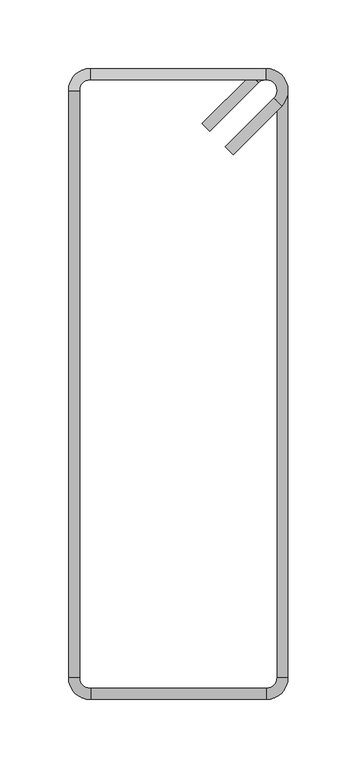
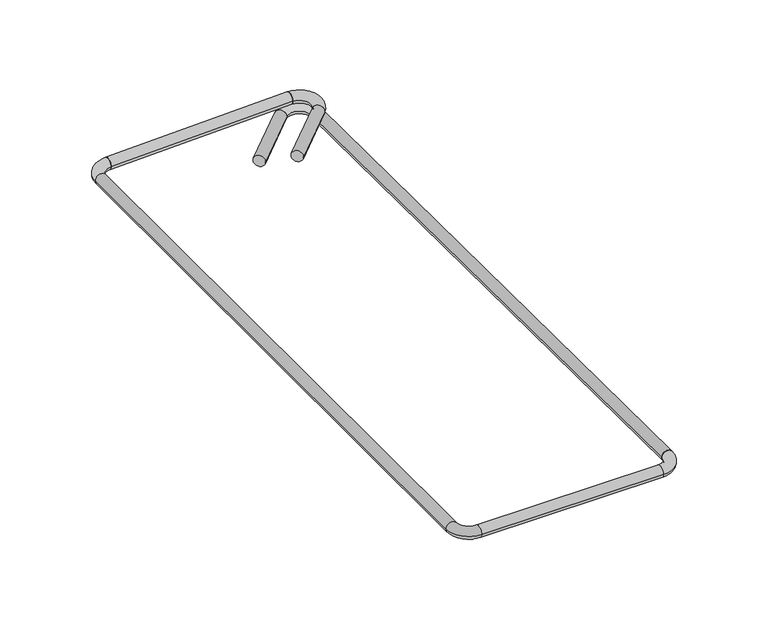
"""IFC4 building model written with IfcOpenShell, lengths in millimetres: proxy geometry."""

import ifcopenshell
import ifcopenshell.guid

model = None  # the IFC model being written
_history = None  # IfcOwnerHistory: only IFC2X3 demands one
_inside = {}  # id of a spatial element -> (the spatial element, [elements in it])
_under = {}  # id of a project, library or spatial element -> (it, [spatial elements below it])
_declared = {}  # id of a project -> (the project, [libraries it declares])
_typed = {}  # id of a type object -> (the type object, [elements of that type])
_made_of = {}  # id of a material, layer set ... -> (it, [elements and type objects made of it])


def new_model(schema):
    """Start an empty IFC model of exactly this schema.

    Asked for "IFC4X3", IfcOpenShell would pick the latest addendum, in which some entities
    have other attributes; the version numbers below select the first issue.
    IFC2X3 requires an IfcOwnerHistory on every rooted entity: one is made here for all.
    """
    global model, _history
    if schema == "IFC4X3":
        model = ifcopenshell.file(schema_version=(4, 3, 0, 0))
    else:
        model = ifcopenshell.file(schema=schema)
    _inside.clear()
    _under.clear()
    _declared.clear()
    _typed.clear()
    _made_of.clear()
    _history = None
    if model.schema == "IFC2X3":
        org = make("IfcOrganization", Name="unknown")
        user = make(
            "IfcPersonAndOrganization",
            ThePerson=make("IfcPerson", FamilyName="unknown"),
            TheOrganization=org,
        )
        app = make(
            "IfcApplication",
            ApplicationDeveloper=org,
            Version="unknown",
            ApplicationFullName="unknown",
            ApplicationIdentifier="unknown",
        )
        _history = make(
            "IfcOwnerHistory",
            OwningUser=user,
            OwningApplication=app,
            ChangeAction="ADDED",
            CreationDate=0,
        )
    return model


def make(cls, **values):
    """One entity of the class cls with the attributes given. An attribute that is None is left unset."""
    return model.create_entity(
        cls, **{name: value for name, value in values.items() if value is not None}
    )


def rooted(cls, **values):
    """An entity with a GlobalId (a new one), such as an element, a storey or a relation."""
    return make(cls, GlobalId=ifcopenshell.guid.new(), OwnerHistory=_history, **values)


def si_unit(unit_type, name, prefix=None):
    """IfcSIUnit, for example si_unit("LENGTHUNIT", "METRE", prefix="MILLI")."""
    return make("IfcSIUnit", UnitType=unit_type, Prefix=prefix, Name=name)


def assignment(units):
    """IfcUnitAssignment: the units of a project."""
    return None if units is None else make("IfcUnitAssignment", Units=units)


def point(xyz):
    """IfcCartesianPoint."""
    return None if xyz is None else make("IfcCartesianPoint", Coordinates=xyz)


def direction(xyz):
    """IfcDirection."""
    return None if xyz is None else make("IfcDirection", DirectionRatios=xyz)


def frame(location, z_axis=None, x_axis=None):
    """IfcAxis2Placement3D, a coordinate frame: its origin and axes. An axis left out is left unset."""
    return make(
        "IfcAxis2Placement3D",
        Location=point(location),
        Axis=direction(z_axis),
        RefDirection=direction(x_axis),
    )


def frame_2d(location, x_axis=None):
    """IfcAxis2Placement2D, a coordinate frame in the plane: its origin and x axis."""
    return make(
        "IfcAxis2Placement2D", Location=point(location), RefDirection=direction(x_axis)
    )


def origin():
    """The frame at (0, 0, 0) with its axes left unset."""
    return frame((0.0, 0.0, 0.0))


def origin_2d():
    """The frame at (0, 0) in the plane with its x axis left unset."""
    return frame_2d((0.0, 0.0))


def place(relative_to, where):
    """IfcLocalPlacement: puts the frame where relative to a parent placement (None: the world)."""
    return make(
        "IfcLocalPlacement", PlacementRelTo=relative_to, RelativePlacement=where
    )


def context(
    kind, dimensions, precision=None, world=None, true_north=None, identifier=None
):
    """IfcGeometricRepresentationContext, for example the 3D "Model" context."""
    return make(
        "IfcGeometricRepresentationContext",
        ContextIdentifier=identifier,
        ContextType=kind,
        CoordinateSpaceDimension=dimensions,
        Precision=precision,
        WorldCoordinateSystem=world,
        TrueNorth=true_north,
    )


def project(units=None, contexts=None):
    """IfcProject with its units and contexts."""
    return rooted(
        "IfcProject",
        Name="project",
        RepresentationContexts=contexts,
        UnitsInContext=assignment(units),
    )


def spatial(cls, under=None, at=None, **own):
    """A site, building, storey or space (cls), placed at a placement, below another one or the project."""
    s = rooted(cls, ObjectPlacement=at, **own)
    if under is not None:
        _under.setdefault(under.id(), (under, []))[1].append(s)
    return s


def circle_curve(where, radius):
    """IfcCircle in the frame where."""
    return make("IfcCircle", Position=where, Radius=radius)


def ellipse_curve(where, semi_axis1, semi_axis2):
    """IfcEllipse in the frame where."""
    return make(
        "IfcEllipse", Position=where, SemiAxis1=semi_axis1, SemiAxis2=semi_axis2
    )


def trimmed(basis, trim1, trim2, sense, master):
    """IfcTrimmedCurve: the piece of a basis curve between two trims."""
    return make(
        "IfcTrimmedCurve",
        BasisCurve=basis,
        Trim1=trim1,
        Trim2=trim2,
        SenseAgreement=sense,
        MasterRepresentation=master,
    )


def segment(curve, same_sense, transition):
    """IfcCompositeCurveSegment."""
    return make(
        "IfcCompositeCurveSegment",
        Transition=transition,
        SameSense=same_sense,
        ParentCurve=curve,
    )


def composite_curve(segments, self_intersect=None):
    """IfcCompositeCurve: segments joined end to end."""
    return make("IfcCompositeCurve", Segments=segments, SelfIntersect=self_intersect)


def outline(outer, holes=None, kind="AREA"):
    """IfcArbitraryClosedProfileDef: a profile drawn as a closed curve; with holes, ...WithVoids."""
    if holes is None:
        return make("IfcArbitraryClosedProfileDef", ProfileType=kind, OuterCurve=outer)
    return make(
        "IfcArbitraryProfileDefWithVoids",
        ProfileType=kind,
        OuterCurve=outer,
        InnerCurves=holes,
    )


def extrude(swept, where, along, depth):
    """IfcExtrudedAreaSolid: the profile swept, set in the frame where, extruded along a direction by depth."""
    return make(
        "IfcExtrudedAreaSolid",
        SweptArea=swept,
        Position=where,
        ExtrudedDirection=direction(along),
        Depth=depth,
    )


def shape(context_of_items, identifier, shape_type, items):
    """IfcShapeRepresentation: the items that make up one representation, for example the "Body"."""
    return make(
        "IfcShapeRepresentation",
        ContextOfItems=context_of_items,
        RepresentationIdentifier=identifier,
        RepresentationType=shape_type,
        Items=items,
    )


def source(mapping_origin, context_of_items, identifier, shape_type, items):
    """IfcRepresentationMap: a shape defined once, which mapped items show again and again."""
    return make(
        "IfcRepresentationMap",
        MappingOrigin=mapping_origin,
        MappedRepresentation=shape(context_of_items, identifier, shape_type, items),
    )


def transform(
    local_origin,
    x_axis=None,
    y_axis=None,
    z_axis=None,
    scale=None,
    scale2=None,
    scale3=None,
    uniform=True,
):
    """IfcCartesianTransformationOperator3D, or its non-uniform kind. x_axis, y_axis, z_axis: its Axis1, 2, 3."""
    if uniform:
        return make(
            "IfcCartesianTransformationOperator3D",
            Axis1=direction(x_axis),
            Axis2=direction(y_axis),
            LocalOrigin=point(local_origin),
            Scale=scale,
            Axis3=direction(z_axis),
        )
    return make(
        "IfcCartesianTransformationOperator3DnonUniform",
        Axis1=direction(x_axis),
        Axis2=direction(y_axis),
        LocalOrigin=point(local_origin),
        Scale=scale,
        Axis3=direction(z_axis),
        Scale2=scale2,
        Scale3=scale3,
    )


def mapped(mapping_source, mapping_target):
    """IfcMappedItem: shows the shape of a source again, moved by a transform."""
    return make(
        "IfcMappedItem", MappingSource=mapping_source, MappingTarget=mapping_target
    )


def made_of(thing, what):
    """Note that an element or type object is made of a material, layer set ...; save() writes the relation."""
    if what is not None:
        _made_of.setdefault(what.id(), (what, []))[1].append(thing)
    return thing


def element(
    cls,
    number,
    at=None,
    inside=None,
    cuts=None,
    type_object=None,
    material=None,
    context=None,
    identifier="Body",
    shape_type=None,
    held_by="IfcProductDefinitionShape",
    body=None,
    shapes=None,
    **own,
):
    """One element of the class cls, such as IfcWall. Its Tag is "e" and its number.

    at: its placement. inside: the storey or other place that contains it. cuts: it is an
    opening in that element (IfcRelVoidsElement). A single representation is given by context,
    identifier, shape_type and body (its items); several are given by shapes. held_by: the class
    of the entity that holds the representations. save() writes the other relations.
    """
    e = rooted(cls, Tag="e%d" % number, ObjectPlacement=at, **own)
    if body is not None:
        shapes = [shape(context, identifier, shape_type, body)]
    if shapes is not None:
        e.Representation = make(held_by, Representations=shapes)
    if inside is not None:
        _inside.setdefault(inside.id(), (inside, []))[1].append(e)
    if cuts is not None:
        rooted(
            "IfcRelVoidsElement", RelatingBuildingElement=cuts, RelatedOpeningElement=e
        )
    if type_object is not None:
        _typed.setdefault(type_object.id(), (type_object, []))[1].append(e)
    return made_of(e, material)


def aggregate(whole, parts):
    """IfcRelAggregates: a whole, such as a stair, and the parts it consists of."""
    return rooted("IfcRelAggregates", RelatingObject=whole, RelatedObjects=parts)


def save(model, path):
    """Write the relations noted so far, then the file.

    IfcRelAggregates (storeys below a building ...), IfcRelContainedInSpatialStructure (elements
    in a storey), IfcRelDefinesByType, IfcRelAssociatesMaterial and IfcRelDeclares: one each for
    every whole, place, type object, material and project.
    """
    for whole, parts in _under.values():
        aggregate(whole, parts)
    for where, things in _inside.values():
        rooted(
            "IfcRelContainedInSpatialStructure",
            RelatedElements=things,
            RelatingStructure=where,
        )
    for kind, things in _typed.values():
        rooted("IfcRelDefinesByType", RelatedObjects=things, RelatingType=kind)
    for what, things in _made_of.values():
        rooted("IfcRelAssociatesMaterial", RelatedObjects=things, RelatingMaterial=what)
    for by, libraries in _declared.values():
        rooted("IfcRelDeclares", RelatingContext=by, RelatedDefinitions=libraries)
    model.write(path)


def plane_surface(at):
    """IfcPlane: the flat surface through the origin of the frame at, square to its z axis."""
    return make("IfcPlane", Position=at)


def cylinder_surface(at, radius):
    """IfcCylindricalSurface: all points at the distance radius from the z axis of the frame at."""
    return make("IfcCylindricalSurface", Position=at, Radius=radius)


def revolved_surface(curve, axis_point, axis_direction):
    """IfcSurfaceOfRevolution: the curve turned about the line through axis_point along axis_direction."""
    return make(
        "IfcSurfaceOfRevolution",
        SweptCurve=make("IfcArbitraryOpenProfileDef", ProfileType="CURVE", Curve=curve),
        AxisPosition=make("IfcAxis1Placement", Location=point(axis_point), Axis=direction(axis_direction)),
    )


def extruded_surface(curve, direction_of_extrusion, depth):
    """IfcSurfaceOfLinearExtrusion: the curve pushed along a direction by depth."""
    return make(
        "IfcSurfaceOfLinearExtrusion",
        SweptCurve=make("IfcArbitraryOpenProfileDef", ProfileType="CURVE", Curve=curve),
        ExtrudedDirection=direction(direction_of_extrusion),
        Depth=depth,
    )


def advanced_brep(points, edges, surfaces, faces):
    """IfcAdvancedBrep: a solid bounded by faces that lie on surfaces and meet in shared edges.

    An edge is (start, end): straight between two places in points (the first is 0);
    or (start, end, curve); or (start, end, curve, False) where it runs against its curve.
    A face is (place in surfaces, loops), or (place, loops, False) where it looks against
    its surface's normal. A loop lists edges by number (the first is 1), with a minus sign
    where the edge is run from its end to its start. The first loop is the outer one.
    """
    corners = [point(p) for p in points]
    vertices = [make("IfcVertexPoint", VertexGeometry=c) for c in corners]
    made = []
    for start, end, *more in edges:
        made.append(
            make(
                "IfcEdgeCurve",
                EdgeStart=vertices[start],
                EdgeEnd=vertices[end],
                EdgeGeometry=more[0] if more else make("IfcPolyline", Points=[corners[start], corners[end]]),
                SameSense=more[1] if len(more) > 1 else True,
            )
        )
    hull = []
    for where, loops, *sense in faces:
        bounds = []
        for j, loop in enumerate(loops):
            ring = [make("IfcOrientedEdge", EdgeElement=made[abs(k) - 1], Orientation=k > 0) for k in loop]
            bounds.append(
                make(
                    "IfcFaceOuterBound" if j == 0 else "IfcFaceBound",
                    Bound=make("IfcEdgeLoop", EdgeList=ring),
                    Orientation=True,
                )
            )
        hull.append(make("IfcAdvancedFace", Bounds=bounds, FaceSurface=surfaces[where], SameSense=sense[0] if sense else True))
    return make("IfcAdvancedBrep", Outer=make("IfcClosedShell", CfsFaces=hull))


def generic_models_b4dfb5fa(model_context):
    return source(origin(), model_context, "Body", "SolidModel", [
        extrude(outline(composite_curve([segment(trimmed(circle_curve(origin_2d(), 4.0), [point((0.0, -4.0))], [point((0.0, 4.0))], False, "CARTESIAN"), True, "CONTINUOUS"), segment(trimmed(circle_curve(origin_2d(), 4.0), [point((0.0, 4.0))], [point((0.0, -4.0))], False, "CARTESIAN"), True, "CONTINUOUS")], self_intersect=False)), frame((37.1299423, 170.1593796, 4.0), z_axis=(0.7071067811865563, 0.7071067811865388, 0.0), x_axis=(0.0, 0.0, 1.0)), (0.0, 0.0, 1.0), 50.0),
        advanced_brep(
        [(64.0, 222.0, 4.0), (64.0, 230.0, 4.0), (69.6568542, 208.3431458, 4.0), (75.3137085, 202.6862915, 4.0)],
        [
            (0, 1, circle_curve(frame((64.0, 226.0, 4.0), z_axis=(-1.0, 0.0, 0.0), x_axis=(0.0, 1.0, 0.0)), 4.0)),
            (1, 0, circle_curve(frame((64.0, 226.0, 4.0), z_axis=(-1.0, 0.0, 0.0), x_axis=(0.0, 1.0, 0.0)), 4.0)),
            (2, 3, circle_curve(frame((72.4852814, 205.5147186, 4.0), z_axis=(-0.7071067811865459, -0.7071067811865491, 0.0), x_axis=(0.7071067811865491, -0.7071067811865459, 0.0)), 4.0)),
            (3, 2, circle_curve(frame((72.4852814, 205.5147186, 4.0), z_axis=(-0.7071067811865459, -0.7071067811865491, 0.0), x_axis=(0.7071067811865491, -0.7071067811865459, 0.0)), 4.0)),
            (3, 1, circle_curve(frame((64.0, 214.0, 4.0), z_axis=(0.0, 0.0, 1.0), x_axis=(0.0, 1.0, 0.0)), 16.0)),
            (0, 2, circle_curve(frame((64.0, 214.0, 4.0), z_axis=(0.0, 0.0, -1.0), x_axis=(0.0, 1.0, 0.0)), 8.0)),
        ],
        [
            plane_surface(frame((64.0, 226.0, 4.0), z_axis=(-1.0, 0.0, 0.0), x_axis=(0.0, 0.0, 1.0))),
            plane_surface(frame((72.4852814, 205.5147186, 4.0), z_axis=(-0.7071067811865459, -0.7071067811865491, 0.0), x_axis=(0.0, 0.0, 1.0))),
            revolved_surface(trimmed(ellipse_curve(frame((64.0, 226.0, 4.0), z_axis=(-1.0, 0.0, 0.0), x_axis=(0.0, 1.0, 0.0)), 4.0, 4.0), [point((64.0, 222.0, 4.0))], [point((64.0, 230.0, 4.0))], True, "CARTESIAN"), (64.0, 214.0, 4.0), (0.0, 0.0, -1.0)),
            revolved_surface(trimmed(ellipse_curve(frame((64.0, 226.0, 4.0), z_axis=(-1.0, 0.0, 0.0), x_axis=(0.0, 1.0, 0.0)), 4.0, 4.0), [point((64.0, 230.0, 4.0))], [point((64.0, 222.0, 4.0))], True, "CARTESIAN"), (64.0, 214.0, 4.0), (0.0, 0.0, -1.0)),
        ],
        [
            (0, [[1, 2]]),
            (1, [[3, 4]]),
            (2, [[5, -1, 6, -4]]),
            (3, [[-6, -2, -5, -3]]),
        ],
    ),
        extrude(outline(composite_curve([segment(trimmed(circle_curve(origin_2d(), 4.0), [point((0.0, -4.0))], [point((0.0, 4.0))], False, "CARTESIAN"), True, "CONTINUOUS"), segment(trimmed(circle_curve(origin_2d(), 4.0), [point((0.0, 4.0))], [point((0.0, -4.0))], False, "CARTESIAN"), True, "CONTINUOUS")], self_intersect=False)), frame((20.1593796, 187.1299423, -4.0), z_axis=(0.7071067811866664, 0.7071067811864288, 0.0), x_axis=(0.0, 0.0, 1.0)), (0.0, 0.0, 1.0), 50.0),
        advanced_brep(
        [(80.0, 214.0, -4.0), (72.0, 214.0, -4.0), (52.6862915, 225.3137085, -4.0), (58.3431458, 219.6568542, -4.0)],
        [
            (0, 1, circle_curve(frame((76.0, 214.0, -4.0), z_axis=(0.0, -1.0, 0.0), x_axis=(-1.0, 0.0, 0.0)), 4.0)),
            (1, 0, circle_curve(frame((76.0, 214.0, -4.0), z_axis=(0.0, -1.0, 0.0), x_axis=(-1.0, 0.0, 0.0)), 4.0)),
            (2, 3, circle_curve(frame((55.5147186, 222.4852814, -4.0), z_axis=(-0.7071067811865468, -0.7071067811865482, 0.0), x_axis=(0.7071067811865482, -0.7071067811865468, 0.0)), 4.0)),
            (3, 2, circle_curve(frame((55.5147186, 222.4852814, -4.0), z_axis=(-0.7071067811865468, -0.7071067811865482, 0.0), x_axis=(0.7071067811865482, -0.7071067811865468, 0.0)), 4.0)),
            (3, 1, circle_curve(frame((64.0, 214.0, -4.0), z_axis=(0.0, 0.0, -1.0), x_axis=(1.0, 0.0, 0.0)), 8.0)),
            (0, 2, circle_curve(frame((64.0, 214.0, -4.0), z_axis=(0.0, 0.0, 1.0), x_axis=(1.0, 0.0, 0.0)), 16.0)),
        ],
        [
            plane_surface(frame((76.0, 214.0, -4.0), z_axis=(0.0, -1.0, 0.0), x_axis=(0.0, 0.0, 1.0))),
            plane_surface(frame((55.5147186, 222.4852814, -4.0), z_axis=(-0.7071067811865468, -0.7071067811865483, 0.0), x_axis=(0.0, 0.0, 1.0))),
            revolved_surface(trimmed(ellipse_curve(frame((76.0, 214.0, -4.0), z_axis=(0.0, -1.0, 0.0), x_axis=(-1.0, 0.0, 0.0)), 4.0, 4.0), [point((80.0, 214.0, -4.0))], [point((72.0, 214.0, -4.0))], True, "CARTESIAN"), (64.0, 214.0, -4.0), (0.0, 0.0, 1.0)),
            revolved_surface(trimmed(ellipse_curve(frame((76.0, 214.0, -4.0), z_axis=(0.0, -1.0, 0.0), x_axis=(-1.0, 0.0, 0.0)), 4.0, 4.0), [point((72.0, 214.0, -4.0))], [point((80.0, 214.0, -4.0))], True, "CARTESIAN"), (64.0, 214.0, -4.0), (0.0, 0.0, 1.0)),
        ],
        [
            (0, [[1, 2]]),
            (1, [[3, 4]]),
            (2, [[5, -1, 6, -4]]),
            (3, [[-6, -2, -5, -3]]),
        ],
    ),
        advanced_brep(
        [(80.0, 214.0, -4.0), (72.0, 214.0, -4.0), (80.0, -214.0, 0.0), (72.0, -214.0, 0.0)],
        [
            (0, 1, circle_curve(frame((76.0, 214.0, -4.0), z_axis=(0.0, 1.0, 0.0), x_axis=(-1.0, 0.0, 0.0)), 4.0)),
            (1, 0, circle_curve(frame((76.0, 214.0, -4.0), z_axis=(0.0, 1.0, 0.0), x_axis=(-1.0, 0.0, 0.0)), 4.0)),
            (2, 3, circle_curve(frame((76.0, -214.0, 0.0), z_axis=(0.0, -1.0, 0.0), x_axis=(-1.0, 0.0, 0.0)), 4.0)),
            (3, 2, circle_curve(frame((76.0, -214.0, 0.0), z_axis=(0.0, -1.0, 0.0), x_axis=(-1.0, 0.0, 0.0)), 4.0)),
            (3, 1),
            (0, 2),
        ],
        [
            plane_surface(frame((76.0, 214.0, -4.0), z_axis=(0.0, 1.0, 0.0), x_axis=(0.0, 0.0, -1.0))),
            plane_surface(frame((76.0, -214.0, 0.0), z_axis=(0.0, -1.0, 0.0), x_axis=(0.0, 0.0, -1.0))),
            extruded_surface(trimmed(circle_curve(frame((76.0, -214.0, 0.0), z_axis=(0.0, 1.0, 0.0), x_axis=(-1.0, 0.0, 0.0)), 4.0), [point((80.0, -214.0, 0.0))], [point((72.0, -214.0, 0.0))], True, "CARTESIAN"), (0.0, 428.0, -4.0), 428.01869118065395),
            extruded_surface(trimmed(circle_curve(frame((76.0, -214.0, 0.0), z_axis=(0.0, 1.0, 0.0), x_axis=(-1.0, 0.0, 0.0)), 4.0), [point((72.0, -214.0, 0.0))], [point((80.0, -214.0, 0.0))], True, "CARTESIAN"), (0.0, 428.0, -4.0), 428.01869118065395),
        ],
        [
            (0, [[1, 2]]),
            (1, [[3, 4]]),
            (2, [[-4, 5, -1, 6]]),
            (3, [[-3, -6, -2, -5]]),
        ],
    ),
        advanced_brep(
        [(64.0, 222.0, 4.0), (64.0, 230.0, 4.0), (-64.0, 222.0, 0.0), (-64.0, 230.0, 0.0)],
        [
            (0, 1, circle_curve(frame((64.0, 226.0, 4.0), z_axis=(1.0, 0.0, 0.0), x_axis=(0.0, 1.0, 0.0)), 4.0)),
            (1, 0, circle_curve(frame((64.0, 226.0, 4.0), z_axis=(1.0, 0.0, 0.0), x_axis=(0.0, 1.0, 0.0)), 4.0)),
            (2, 3, circle_curve(frame((-64.0, 226.0, 0.0), z_axis=(-1.0, 0.0, 0.0), x_axis=(0.0, 1.0, 0.0)), 4.0)),
            (3, 2, circle_curve(frame((-64.0, 226.0, 0.0), z_axis=(-1.0, 0.0, 0.0), x_axis=(0.0, 1.0, 0.0)), 4.0)),
            (3, 1),
            (0, 2),
        ],
        [
            plane_surface(frame((64.0, 226.0, 4.0), z_axis=(1.0, 0.0, 0.0), x_axis=(0.0, 0.0, -1.0))),
            plane_surface(frame((-64.0, 226.0, 0.0), z_axis=(-1.0, 0.0, 0.0), x_axis=(0.0, 0.0, -1.0))),
            extruded_surface(trimmed(circle_curve(frame((-64.0, 226.0, 0.0), z_axis=(1.0, 0.0, 0.0), x_axis=(0.0, 1.0, 0.0)), 4.0), [point((-64.0, 222.0, 0.0))], [point((-64.0, 230.0, 0.0))], True, "CARTESIAN"), (128.0, 0.0, 4.0), 128.06248474865697),
            extruded_surface(trimmed(circle_curve(frame((-64.0, 226.0, 0.0), z_axis=(1.0, 0.0, 0.0), x_axis=(0.0, 1.0, 0.0)), 4.0), [point((-64.0, 230.0, 0.0))], [point((-64.0, 222.0, 0.0))], True, "CARTESIAN"), (128.0, 0.0, 4.0), 128.06248474865697),
        ],
        [
            (0, [[1, 2]]),
            (1, [[3, 4]]),
            (2, [[-4, 5, -1, 6]]),
            (3, [[-3, -6, -2, -5]]),
        ],
    ),
        advanced_brep(
        [(-64.0, 230.0, 0.0), (-64.0, 222.0, 0.0), (-72.0, 214.0, 0.0), (-80.0, 214.0, 0.0), (-80.0, -214.0, 0.0), (-72.0, -214.0, 0.0), (-64.0, -222.0, 0.0), (-64.0, -230.0, 0.0), (64.0, -230.0, 0.0), (64.0, -222.0, 0.0), (80.0, -214.0, 0.0), (72.0, -214.0, 0.0)],
        [
            (0, 1, circle_curve(frame((-64.0, 226.0, 0.0), z_axis=(1.0, 0.0, 0.0), x_axis=(0.0, -1.0, 0.0)), 4.0)),
            (1, 0, circle_curve(frame((-64.0, 226.0, 0.0), z_axis=(1.0, 0.0, 0.0), x_axis=(0.0, -1.0, 0.0)), 4.0)),
            (2, 1, circle_curve(frame((-64.0, 214.0, 0.0), z_axis=(0.0, 0.0, -1.0), x_axis=(0.0, 1.0, 0.0)), 8.0)),
            (0, 3, circle_curve(frame((-64.0, 214.0, 0.0), z_axis=(0.0, 0.0, 1.0), x_axis=(0.0, 1.0, 0.0)), 16.0)),
            (3, 2, circle_curve(frame((-76.0, 214.0, 0.0), z_axis=(0.0, 1.0, 0.0), x_axis=(1.0, 0.0, 0.0)), 4.0)),
            (2, 3, circle_curve(frame((-76.0, 214.0, 0.0), z_axis=(0.0, 1.0, 0.0), x_axis=(1.0, 0.0, 0.0)), 4.0)),
            (3, 4),
            (4, 5, circle_curve(frame((-76.0, -214.0, 0.0), z_axis=(0.0, 1.0, 0.0), x_axis=(1.0, 0.0, 0.0)), 4.0)),
            (5, 2),
            (5, 4, circle_curve(frame((-76.0, -214.0, 0.0), z_axis=(0.0, 1.0, 0.0), x_axis=(1.0, 0.0, 0.0)), 4.0)),
            (6, 5, circle_curve(frame((-64.0, -214.0, 0.0), z_axis=(0.0, 0.0, -1.0), x_axis=(-1.0, 0.0, 0.0)), 8.0)),
            (4, 7, circle_curve(frame((-64.0, -214.0, 0.0), z_axis=(0.0, 0.0, 1.0), x_axis=(-1.0, 0.0, 0.0)), 16.0)),
            (7, 6, circle_curve(frame((-64.0, -226.0, 0.0), z_axis=(-1.0, 0.0, 0.0), x_axis=(0.0, 1.0, 0.0)), 4.0)),
            (6, 7, circle_curve(frame((-64.0, -226.0, 0.0), z_axis=(-1.0, 0.0, 0.0), x_axis=(0.0, 1.0, 0.0)), 4.0)),
            (7, 8),
            (8, 9, circle_curve(frame((64.0, -226.0, 0.0), z_axis=(-1.0, 0.0, 0.0), x_axis=(0.0, 1.0, 0.0)), 4.0)),
            (9, 6),
            (9, 8, circle_curve(frame((64.0, -226.0, 0.0), z_axis=(-1.0, 0.0, 0.0), x_axis=(0.0, 1.0, 0.0)), 4.0)),
            (10, 11, circle_curve(frame((76.0, -214.0, 0.0), z_axis=(0.0, 1.0, 0.0), x_axis=(-1.0, 0.0, 0.0)), 4.0)),
            (11, 10, circle_curve(frame((76.0, -214.0, 0.0), z_axis=(0.0, 1.0, 0.0), x_axis=(-1.0, 0.0, 0.0)), 4.0)),
            (11, 9, circle_curve(frame((64.0, -214.0, 0.0), z_axis=(0.0, 0.0, -1.0), x_axis=(0.0, -1.0, 0.0)), 8.0)),
            (8, 10, circle_curve(frame((64.0, -214.0, 0.0), z_axis=(0.0, 0.0, 1.0), x_axis=(0.0, -1.0, 0.0)), 16.0)),
        ],
        [
            plane_surface(frame((-64.0, 226.0, 0.0), z_axis=(1.0, 0.0, 0.0), x_axis=(0.0, 0.0, 1.0))),
            revolved_surface(trimmed(ellipse_curve(frame((-64.0, 226.0, 0.0), z_axis=(1.0, 0.0, 0.0), x_axis=(0.0, -1.0, 0.0)), 4.0, 4.0), [point((-64.0, 230.0, 0.0))], [point((-64.0, 222.0, 0.0))], True, "CARTESIAN"), (-64.0, 214.0, 0.0), (0.0, 0.0, 1.0)),
            revolved_surface(trimmed(ellipse_curve(frame((-64.0, 226.0, 0.0), z_axis=(1.0, 0.0, 0.0), x_axis=(0.0, -1.0, 0.0)), 4.0, 4.0), [point((-64.0, 222.0, 0.0))], [point((-64.0, 230.0, 0.0))], True, "CARTESIAN"), (-64.0, 214.0, 0.0), (0.0, 0.0, 1.0)),
            cylinder_surface(frame((-76.0, 214.0, 0.0), z_axis=(0.0, 1.0, 0.0), x_axis=(1.0, 0.0, 0.0)), 4.0),
            revolved_surface(trimmed(ellipse_curve(frame((-76.0, -214.0, 0.0), z_axis=(0.0, 1.0, 0.0), x_axis=(1.0, 0.0, 0.0)), 4.0, 4.0), [point((-80.0, -214.0, 0.0))], [point((-72.0, -214.0, 0.0))], True, "CARTESIAN"), (-64.0, -214.0, 0.0), (0.0, 0.0, 1.0)),
            revolved_surface(trimmed(ellipse_curve(frame((-76.0, -214.0, 0.0), z_axis=(0.0, 1.0, 0.0), x_axis=(1.0, 0.0, 0.0)), 4.0, 4.0), [point((-72.0, -214.0, 0.0))], [point((-80.0, -214.0, 0.0))], True, "CARTESIAN"), (-64.0, -214.0, 0.0), (0.0, 0.0, 1.0)),
            cylinder_surface(frame((-64.0, -226.0, 0.0), z_axis=(-1.0, 0.0, 0.0), x_axis=(0.0, 1.0, 0.0)), 4.0),
            plane_surface(frame((76.0, -214.0, 0.0), z_axis=(0.0, 1.0, 0.0), x_axis=(0.0, 0.0, 1.0))),
            revolved_surface(trimmed(ellipse_curve(frame((64.0, -226.0, 0.0), z_axis=(-1.0, 0.0, 0.0), x_axis=(0.0, 1.0, 0.0)), 4.0, 4.0), [point((64.0, -230.0, 0.0))], [point((64.0, -222.0, 0.0))], True, "CARTESIAN"), (64.0, -214.0, 0.0), (0.0, 0.0, 1.0)),
            revolved_surface(trimmed(ellipse_curve(frame((64.0, -226.0, 0.0), z_axis=(-1.0, 0.0, 0.0), x_axis=(0.0, 1.0, 0.0)), 4.0, 4.0), [point((64.0, -222.0, 0.0))], [point((64.0, -230.0, 0.0))], True, "CARTESIAN"), (64.0, -214.0, 0.0), (0.0, 0.0, 1.0)),
        ],
        [
            (0, [[1, 2]]),
            (1, [[3, -1, 4, 5]]),
            (2, [[-4, -2, -3, 6]]),
            (3, [[-5, 7, 8, 9]]),
            (3, [[-6, -9, 10, -7]]),
            (4, [[11, -8, 12, 13]]),
            (5, [[-12, -10, -11, 14]]),
            (6, [[-13, 15, 16, 17]]),
            (6, [[-14, -17, 18, -15]]),
            (7, [[19, 20]]),
            (8, [[21, -16, 22, -20]]),
            (9, [[-22, -18, -21, -19]]),
        ],
    ),
    ])


if __name__ == "__main__":
    model = new_model("IFC4")
    model_context = context("Model", 3, world=origin())
    ifc_project = project(units=[si_unit("LENGTHUNIT", "METRE", prefix="MILLI")], contexts=[model_context])
    site = spatial("IfcSite", under=ifc_project)
    building = spatial("IfcBuilding", under=site)
    placement = place(None, origin())
    generic_models_shape = generic_models_b4dfb5fa(model_context)
    element("IfcBuildingElementProxy", 1, Name="Generic Models", at=placement, inside=building, context=model_context, shape_type="MappedRepresentation", body=[
        mapped(generic_models_shape, transform((0.0, 0.0, 0.0), x_axis=(1.0, 0.0, 0.0), y_axis=(0.0, 1.0, 0.0), z_axis=(0.0, 0.0, 1.0))),
    ])
    save(model, "model.ifc")
